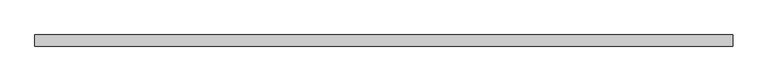
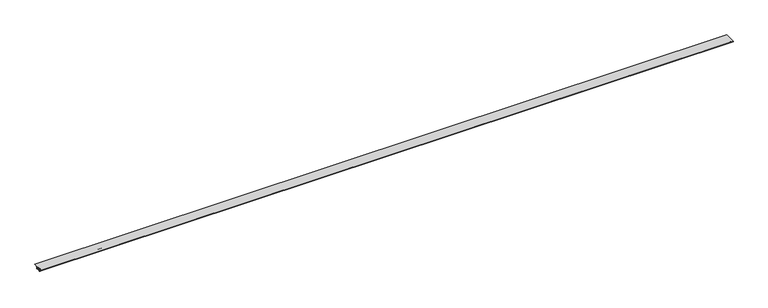
"""IFC4 building model written with IfcOpenShell, lengths in millimetres: proxy geometry."""

from ifc_helpers import new_model, si_unit, point, frame, frame_2d, origin, place, context, project, spatial, polyline, circle_curve, trimmed, segment, composite_curve, outline, extrude, source, transform, mapped, element, save


def generic_models_8cd62fad(model_context):
    return source(origin(), model_context, "Body", "SweptSolid", [
        extrude(outline(polyline([(15.9426289, 2.0), (15.9426289, 1.102551), (4.5, 1.102551), (-15.9426289, 1.102551), (-15.9426289, 2.0), (15.9426289, 2.0)])), frame((0.0, 0.0, 0.0), z_axis=(1.0, 0.0, 0.0), x_axis=(0.0, 1.0, 0.0)), (0.0, 0.0, 1.0), 2000.0),
        extrude(outline(composite_curve([segment(trimmed(circle_curve(frame_2d((-5.6375282, 0.3624718)), 0.6375282), [point((-5.6375282, 1.0))], [point((-5.0, 0.3624718))], False, "CARTESIAN"), True, "CONTINUOUS"), segment(polyline([(-5.0, 0.3624718), (-5.0, -5.4), (5.0, -5.4), (5.0, 0.4101629)]), True, "CONTINUOUS"), segment(trimmed(circle_curve(frame_2d((5.5898371, 0.4101629)), 0.5898371), [point((5.0, 0.4101629))], [point((5.5898371, 1.0))], False, "CARTESIAN"), True, "CONTINUOUS"), segment(polyline([(5.5898371, 1.0), (15.0, 1.0), (15.0, 0.0), (6.0, 0.0), (6.0, -5.7844637)]), True, "CONTINUOUS"), segment(trimmed(circle_curve(frame_2d((5.3844637, -5.7844637)), 0.6155363), [point((6.0, -5.7844637))], [point((5.3844637, -6.4))], False, "CARTESIAN"), True, "CONTINUOUS"), segment(polyline([(5.3844637, -6.4), (-5.3526984, -6.4)]), True, "CONTINUOUS"), segment(trimmed(circle_curve(frame_2d((-5.3526984, -5.7526984)), 0.6473016), [point((-5.3526984, -6.4))], [point((-6.0, -5.7526984))], False, "CARTESIAN"), True, "CONTINUOUS"), segment(polyline([(-6.0, -5.7526984), (-6.0, 0.0), (-15.0, 0.0), (-15.0, 1.0), (-5.6375282, 1.0)]), True, "CONTINUOUS")], self_intersect=False)), frame((0.0, 0.0, 0.0), z_axis=(1.0, 0.0, 0.0), x_axis=(0.0, 1.0, 0.0)), (0.0, 0.0, 1.0), 2000.0),
    ])


if __name__ == "__main__":
    model = new_model("IFC4")
    model_context = context("Model", 3, world=origin())
    ifc_project = project(units=[si_unit("LENGTHUNIT", "METRE", prefix="MILLI")], contexts=[model_context])
    site = spatial("IfcSite", under=ifc_project)
    building = spatial("IfcBuilding", under=site)
    placement = place(None, origin())
    generic_models_shape = generic_models_8cd62fad(model_context)
    element("IfcBuildingElementProxy", 1, Name="Generic Models", at=placement, inside=building, context=model_context, shape_type="MappedRepresentation", body=[
        mapped(generic_models_shape, transform((0.0, 0.0, 0.0), x_axis=(1.0, 0.0, 0.0), y_axis=(0.0, 1.0, 0.0), z_axis=(0.0, 0.0, 1.0))),
    ])
    save(model, "model.ifc")
